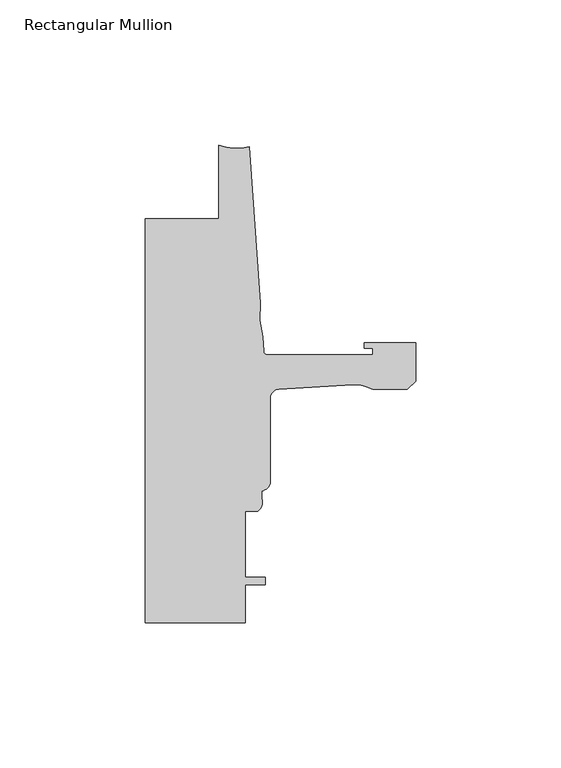
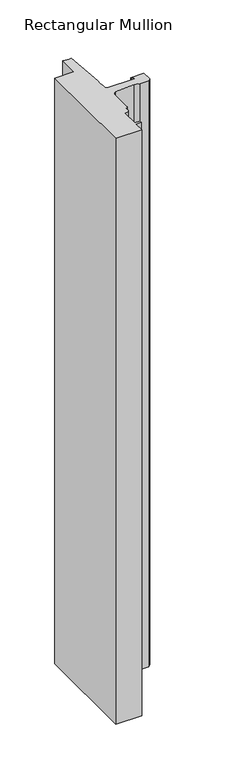
"""IFC4 building model written with IfcOpenShell, lengths in millimetres: member geometry, Rectangular Mullion."""

from ifc_helpers import new_model, si_unit, point, frame, frame_2d, origin, place, context, project, spatial, polyline, circle_curve, trimmed, segment, composite_curve, outline, extrude, source, transform, mapped, element, save


def rectangular_mullion_6639364f(model_context):
    return source(origin(), model_context, "Body", "SweptSolid", [
        extrude(outline(composite_curve([segment(polyline([(-93.2286109, -25.4004525), (-67.8287241, -25.4004525), (-67.8287241, 0.0)]), True, "CONTINUOUS"), segment(trimmed(circle_curve(frame_2d((-61.5737839, 15.5330799)), 16.7451739), [point((-67.8287241, 0.0))], [point((-57.2987828, -0.6572016))], True, "CARTESIAN"), True, "CONTINUOUS"), segment(polyline([(-57.2987828, -0.6572016), (-53.5273008, -54.5916583)]), True, "CONTINUOUS"), segment(trimmed(circle_curve(frame_2d((-22.6573046, -58.220143)), 31.0825122), [point((-53.5273008, -54.5916583))], [point((-52.7218885, -66.1095894))], True, "CARTESIAN"), True, "CONTINUOUS"), segment(polyline([(-52.7218885, -66.1095894), (-52.3871825, -70.8961089)]), True, "CONTINUOUS"), segment(trimmed(circle_curve(frame_2d((-50.8668948, -70.7898)), 1.524), [point((-52.3871825, -70.8961089))], [point((-50.8668948, -72.3138))], True, "CARTESIAN"), True, "CONTINUOUS"), segment(polyline([(-50.8668948, -72.3138), (-14.783487, -72.3138), (-14.783487, -69.9769999), (-17.6377748, -69.9769999), (-17.6377748, -68.1989999), (0.0, -68.1989999), (0.0, -81.3555127), (-2.845487, -84.2009998), (-14.7368542, -84.2009998)]), True, "CONTINUOUS"), segment(trimmed(circle_curve(frame_2d((-20.8718421, -95.1826865)), 12.5791701), [point((-14.7368542, -84.2009998))], [point((-21.6202542, -82.6257999))], True, "CARTESIAN"), True, "CONTINUOUS"), segment(polyline([(-21.6202542, -82.6257999), (-47.0897067, -84.1438232)]), True, "CONTINUOUS"), segment(trimmed(circle_curve(frame_2d((-46.9265, -87.3146257)), 3.175), [point((-47.0897067, -84.1438232))], [point((-50.1015, -87.3146257))], True, "CARTESIAN"), True, "CONTINUOUS"), segment(polyline([(-50.1015, -87.3146257), (-50.1015, -116.026113)]), True, "CONTINUOUS"), segment(trimmed(circle_curve(frame_2d((-53.2765, -116.026113)), 3.175), [point((-50.1015, -116.026113))], [point((-53.0225002, -119.1909367))], False, "CARTESIAN"), True, "CONTINUOUS"), segment(polyline([(-53.0225002, -119.1909367), (-53.0225002, -121.7775425)]), True, "CONTINUOUS"), segment(trimmed(circle_curve(frame_2d((-56.4301064, -123.096956)), 3.6541253), [point((-53.0225002, -121.7775425))], [point((-54.4195002, -126.1482008))], False, "CARTESIAN"), True, "CONTINUOUS"), segment(polyline([(-54.4195002, -126.1482008), (-58.7375, -126.1482008), (-58.7375, -149.0082008), (-51.8795003, -149.0082008), (-51.8795003, -151.5482008), (-58.7375, -151.5482008), (-58.7375, -164.592), (-93.2286109, -164.592), (-93.2286109, -25.4004525)]), True, "CONTINUOUS")], self_intersect=False)), frame((0.0, 0.0, -819.3400776), z_axis=(0.0, 0.0, 1.0), x_axis=(1.0, 0.0, 0.0)), (0.0, 0.0, 1.0), 819.3400776),
    ])


if __name__ == "__main__":
    model = new_model("IFC4")
    model_context = context("Model", 3, world=origin())
    ifc_project = project(units=[si_unit("LENGTHUNIT", "METRE", prefix="MILLI")], contexts=[model_context])
    site = spatial("IfcSite", under=ifc_project)
    building = spatial("IfcBuilding", under=site)
    placement = place(None, origin())
    rectangular_mullion_shape = rectangular_mullion_6639364f(model_context)
    element("IfcMember", 1, ObjectType="Rectangular Mullion", at=placement, inside=building, context=model_context, shape_type="MappedRepresentation", body=[
        mapped(rectangular_mullion_shape, transform((0.0, 0.0, 0.0), x_axis=(1.0, 0.0, 0.0), y_axis=(0.0, 1.0, 0.0), z_axis=(0.0, 0.0, 1.0))),
    ])
    save(model, "model.ifc")
